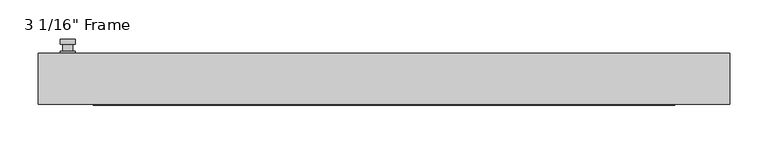
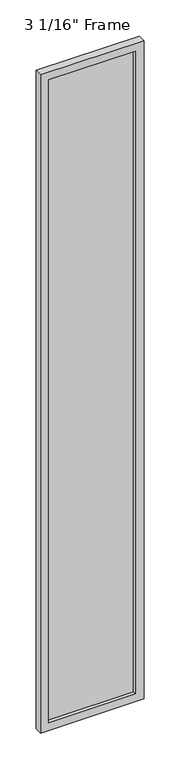
"""IFC4 building model written with IfcOpenShell, lengths in millimetres: plate geometry."""

from ifc_helpers import new_model, si_unit, frame, origin, place, context, project, spatial, polyline, circle_curve, outline, extrude, faceted_brep, source, transform, mapped, element, save
from ifc_brep_helpers import plane_surface, cylinder_surface, advanced_brep


def plate_e50f0461(model_context):
    return source(origin(), model_context, "Body", "SolidModel", [
        advanced_brep(
        [(-401.6375, 33.3375, 927.1), (-420.6875, 33.3375, 927.1), (-420.6875, 33.3375, 901.7), (-401.6375, 33.3375, 901.7), (-404.8125, 46.0375, 914.4), (-404.8125, 36.5125, 914.4), (-417.5125, 36.5125, 914.4), (-417.5125, 46.0375, 914.4), (-401.6375, 46.0375, 914.4), (-420.6875, 46.0375, 914.4), (-417.5084644, 46.0375, 825.2736467), (-404.8165356, 46.0375, 825.2736467), (-401.6375, 52.3875, 914.4), (-404.8165356, 52.3875, 825.2736467), (-417.5084644, 52.3875, 825.2736467), (-420.6875, 52.3875, 914.4), (-401.6375, 36.5125, 927.1), (-401.6375, 36.5125, 901.7), (-420.6875, 36.5125, 901.7), (-420.6875, 36.5125, 927.1)],
        [
            (0, 1, circle_curve(frame((-411.1625, 33.3375, 927.1), z_axis=(0.0, -1.0, 0.0), x_axis=(-1.0, 0.0, 0.0)), 9.525)),
            (1, 2),
            (2, 3, circle_curve(frame((-411.1625, 33.3375, 901.7), z_axis=(0.0, -1.0, 0.0), x_axis=(-1.0, 0.0, 0.0)), 9.525)),
            (3, 0),
            (4, 5),
            (5, 6, circle_curve(frame((-411.1625, 36.5125, 914.4), z_axis=(0.0, 1.0, 0.0), x_axis=(-1.0, 0.0, 0.0)), 6.35)),
            (6, 7),
            (7, 4, circle_curve(frame((-411.1625, 46.0375, 914.4), z_axis=(0.0, -1.0, 0.0), x_axis=(-1.0, 0.0, 0.0)), 6.35)),
            (6, 5, circle_curve(frame((-411.1625, 36.5125, 914.4), z_axis=(0.0, 1.0, 0.0), x_axis=(-1.0, 0.0, 0.0)), 6.35)),
            (4, 7, circle_curve(frame((-411.1625, 46.0375, 914.4), z_axis=(0.0, -1.0, 0.0), x_axis=(-1.0, 0.0, 0.0)), 6.35)),
            (8, 9, circle_curve(frame((-411.1625, 46.0375, 914.4), z_axis=(0.0, -1.0, 0.0), x_axis=(-1.0, 0.0, 0.0)), 9.525)),
            (9, 10),
            (10, 11, circle_curve(frame((-411.1625, 46.0375, 825.5), z_axis=(0.0, -1.0, 0.0), x_axis=(-1.0, 0.0, 0.0)), 6.35)),
            (11, 8),
            (12, 13),
            (13, 14, circle_curve(frame((-411.1625, 52.3875, 825.5), z_axis=(0.0, 1.0, 0.0), x_axis=(-1.0, 0.0, 0.0)), 6.35)),
            (14, 15),
            (15, 12, circle_curve(frame((-411.1625, 52.3875, 914.4), z_axis=(0.0, 1.0, 0.0), x_axis=(-1.0, 0.0, 0.0)), 9.525)),
            (11, 13),
            (12, 8),
            (10, 14),
            (9, 15),
            (16, 17),
            (17, 18, circle_curve(frame((-411.1625, 36.5125, 901.7), z_axis=(0.0, 1.0, 0.0), x_axis=(-1.0, 0.0, 0.0)), 9.525)),
            (18, 19),
            (19, 16, circle_curve(frame((-411.1625, 36.5125, 927.1), z_axis=(0.0, 1.0, 0.0), x_axis=(-1.0, 0.0, 0.0)), 9.525)),
            (3, 17),
            (16, 0),
            (2, 18),
            (1, 19),
        ],
        [
            plane_surface(frame((-417.5125, 33.3375, 914.4), z_axis=(0.0, -1.0, 0.0), x_axis=(0.0, 0.0, 1.0))),
            cylinder_surface(frame((-411.1625, 46.0375, 914.4), z_axis=(0.0, -1.0, 0.0), x_axis=(-1.0, 0.0, 0.0)), 6.35),
            plane_surface(frame((-401.6375, 46.0375, 914.4), z_axis=(0.0, -1.0000000000000002, 0.0), x_axis=(-0.03564619348186888, 0.0, -0.9993644724975235))),
            plane_surface(frame((-401.6375, 52.3875, 914.4), z_axis=(0.0, 1.0000000000000002, 0.0), x_axis=(0.03564619348186888, 0.0, 0.9993644724975235))),
            plane_surface(frame((-401.6375, 46.0375, 914.4), z_axis=(0.9993644724975235, 0.0, -0.03564619348186888), x_axis=(0.0, 1.0, 0.0))),
            cylinder_surface(frame((-411.1625, 52.3875, 825.5), z_axis=(0.0, -1.0, 0.0), x_axis=(-1.0, 0.0, 0.0)), 6.35),
            plane_surface(frame((-417.5084644, 46.0375, 825.2736467), z_axis=(-0.9993644724975228, 0.0, -0.03564619348188612), x_axis=(0.0, 1.0, 0.0))),
            cylinder_surface(frame((-411.1625, 52.3875, 914.4), z_axis=(0.0, -1.0, 0.0), x_axis=(-1.0, 0.0, 0.0)), 9.525),
            plane_surface(frame((-401.6375, 36.5125, 901.7), z_axis=(0.0, 1.0, 0.0), x_axis=(0.0, 0.0, 1.0))),
            plane_surface(frame((-401.6375, 33.3375, 927.1), z_axis=(1.0, 0.0, 0.0), x_axis=(0.0, 1.0, 0.0))),
            cylinder_surface(frame((-411.1625, 36.5125, 901.7), z_axis=(0.0, -1.0, 0.0), x_axis=(-1.0, 0.0, 0.0)), 9.525),
            plane_surface(frame((-420.6875, 33.3375, 901.7), z_axis=(-1.0, 0.0, 0.0), x_axis=(0.0, 1.0, 0.0))),
            cylinder_surface(frame((-411.1625, 36.5125, 927.1), z_axis=(0.0, -1.0, 0.0), x_axis=(-1.0, 0.0, 0.0)), 9.525),
        ],
        [
            (0, [[1, 2, 3, 4]]),
            (1, [[5, 6, 7, 8]]),
            (1, [[-7, 9, -5, 10]]),
            (2, [[11, 12, 13, 14], [-10, -8]]),
            (3, [[15, 16, 17, 18]]),
            (4, [[19, -15, 20, -14]]),
            (5, [[21, -16, -19, -13]]),
            (6, [[22, -17, -21, -12]]),
            (7, [[-20, -18, -22, -11]]),
            (8, [[23, 24, 25, 26], [-9, -6]]),
            (9, [[27, -23, 28, -4]]),
            (10, [[29, -24, -27, -3]]),
            (11, [[30, -25, -29, -2]]),
            (12, [[-28, -26, -30, -1]]),
        ],
    ),
        faceted_brep([(-449.2625, 33.3375, 0.0), (449.2625, 33.3375, 0.0), (449.2625, -33.3375, 0.0), (-449.2625, -33.3375, 0.0), (-449.2625, 33.3375, 6038.85), (449.2625, 33.3375, 6038.85), (-377.825, 33.3375, 5967.4125), (-377.825, 33.3375, 71.4375), (377.825, 33.3375, 71.4375), (377.825, 33.3375, 5967.4125), (-449.2625, -33.3375, 6038.85), (449.2625, -33.3375, 6038.85), (-377.825, -33.3375, 5967.4125), (377.825, -33.3375, 5967.4125), (377.825, -33.3375, 71.4375), (-377.825, -33.3375, 71.4375), (-371.475, -11.90625, 77.7875), (-371.475, -11.90625, 5961.0625), (384.175, -11.90625, 5973.7625), (384.175, -11.90625, 65.0875), (-384.175, -11.90625, 65.0875), (-384.175, -11.90625, 5973.7625), (371.475, -11.90625, 77.7875), (371.475, -11.90625, 5961.0625), (-384.175, 11.90625, 65.0875), (-384.175, 11.90625, 5973.7625), (384.175, 11.90625, 65.0875), (384.175, 11.90625, 5973.7625), (-371.475, 11.90625, 5961.0625), (371.475, 11.90625, 5961.0625), (371.475, 11.90625, 77.7875), (-371.475, 11.90625, 77.7875)], [[[0, 1, 2, 3]], [[0, 4, 5, 1], [6, 7, 8, 9]], [[3, 10, 4, 0]], [[2, 11, 10, 3], [12, 13, 14, 15]], [[12, 15, 16, 17]], [[18, 19, 20, 21], [17, 16, 22, 23]], [[20, 24, 25, 21]], [[25, 24, 26, 27], [28, 29, 30, 31]], [[28, 31, 7, 6]], [[4, 10, 11, 5]], [[12, 17, 23, 13]], [[21, 25, 27, 18]], [[9, 29, 28, 6]], [[5, 11, 2, 1]], [[23, 22, 14, 13]], [[26, 19, 18, 27]], [[9, 8, 30, 29]], [[7, 31, 30, 8]], [[19, 26, 24, 20]], [[16, 15, 14, 22]]]),
        extrude(outline(polyline([(384.175, 11.90625), (384.175, -11.90625), (-384.175, -11.90625), (-384.175, 11.90625), (384.175, 11.90625)])), frame((0.0, 0.0, 65.0875), z_axis=(0.0, 0.0, 1.0), x_axis=(1.0, 0.0, 0.0)), (0.0, 0.0, 1.0), 5908.675),
    ])


if __name__ == "__main__":
    model = new_model("IFC4")
    model_context = context("Model", 3, world=origin())
    ifc_project = project(units=[si_unit("LENGTHUNIT", "METRE", prefix="MILLI")], contexts=[model_context])
    site = spatial("IfcSite", under=ifc_project)
    building = spatial("IfcBuilding", under=site)
    placement = place(None, origin())
    plate_shape = plate_e50f0461(model_context)
    element("IfcPlate", 1, ObjectType="3 1/16\" Frame", at=placement, inside=building, context=model_context, shape_type="MappedRepresentation", body=[
        mapped(plate_shape, transform((0.0, 0.0, 0.0), x_axis=(1.0, 0.0, 0.0), y_axis=(0.0, 1.0, 0.0), z_axis=(0.0, 0.0, 1.0))),
    ])
    save(model, "model.ifc")
